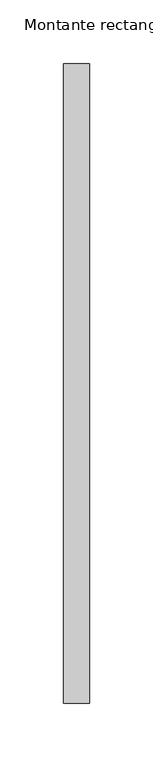
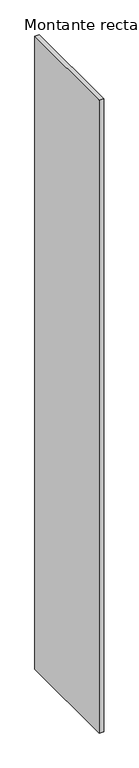
"""IFC4 building model written with IfcOpenShell, lengths in millimetres: member geometry, Montante rectangular."""

import ifcopenshell
import ifcopenshell.guid

model = None  # the IFC model being written
_history = None  # IfcOwnerHistory: only IFC2X3 demands one
_inside = {}  # id of a spatial element -> (the spatial element, [elements in it])
_under = {}  # id of a project, library or spatial element -> (it, [spatial elements below it])
_declared = {}  # id of a project -> (the project, [libraries it declares])
_typed = {}  # id of a type object -> (the type object, [elements of that type])
_made_of = {}  # id of a material, layer set ... -> (it, [elements and type objects made of it])


def new_model(schema):
    """Start an empty IFC model of exactly this schema.

    Asked for "IFC4X3", IfcOpenShell would pick the latest addendum, in which some entities
    have other attributes; the version numbers below select the first issue.
    IFC2X3 requires an IfcOwnerHistory on every rooted entity: one is made here for all.
    """
    global model, _history
    if schema == "IFC4X3":
        model = ifcopenshell.file(schema_version=(4, 3, 0, 0))
    else:
        model = ifcopenshell.file(schema=schema)
    _inside.clear()
    _under.clear()
    _declared.clear()
    _typed.clear()
    _made_of.clear()
    _history = None
    if model.schema == "IFC2X3":
        org = make("IfcOrganization", Name="unknown")
        user = make(
            "IfcPersonAndOrganization",
            ThePerson=make("IfcPerson", FamilyName="unknown"),
            TheOrganization=org,
        )
        app = make(
            "IfcApplication",
            ApplicationDeveloper=org,
            Version="unknown",
            ApplicationFullName="unknown",
            ApplicationIdentifier="unknown",
        )
        _history = make(
            "IfcOwnerHistory",
            OwningUser=user,
            OwningApplication=app,
            ChangeAction="ADDED",
            CreationDate=0,
        )
    return model


def make(cls, **values):
    """One entity of the class cls with the attributes given. An attribute that is None is left unset."""
    return model.create_entity(
        cls, **{name: value for name, value in values.items() if value is not None}
    )


def rooted(cls, **values):
    """An entity with a GlobalId (a new one), such as an element, a storey or a relation."""
    return make(cls, GlobalId=ifcopenshell.guid.new(), OwnerHistory=_history, **values)


def si_unit(unit_type, name, prefix=None):
    """IfcSIUnit, for example si_unit("LENGTHUNIT", "METRE", prefix="MILLI")."""
    return make("IfcSIUnit", UnitType=unit_type, Prefix=prefix, Name=name)


def assignment(units):
    """IfcUnitAssignment: the units of a project."""
    return None if units is None else make("IfcUnitAssignment", Units=units)


def point(xyz):
    """IfcCartesianPoint."""
    return None if xyz is None else make("IfcCartesianPoint", Coordinates=xyz)


def direction(xyz):
    """IfcDirection."""
    return None if xyz is None else make("IfcDirection", DirectionRatios=xyz)


def frame(location, z_axis=None, x_axis=None):
    """IfcAxis2Placement3D, a coordinate frame: its origin and axes. An axis left out is left unset."""
    return make(
        "IfcAxis2Placement3D",
        Location=point(location),
        Axis=direction(z_axis),
        RefDirection=direction(x_axis),
    )


def origin():
    """The frame at (0, 0, 0) with its axes left unset."""
    return frame((0.0, 0.0, 0.0))


def place(relative_to, where):
    """IfcLocalPlacement: puts the frame where relative to a parent placement (None: the world)."""
    return make(
        "IfcLocalPlacement", PlacementRelTo=relative_to, RelativePlacement=where
    )


def context(
    kind, dimensions, precision=None, world=None, true_north=None, identifier=None
):
    """IfcGeometricRepresentationContext, for example the 3D "Model" context."""
    return make(
        "IfcGeometricRepresentationContext",
        ContextIdentifier=identifier,
        ContextType=kind,
        CoordinateSpaceDimension=dimensions,
        Precision=precision,
        WorldCoordinateSystem=world,
        TrueNorth=true_north,
    )


def project(units=None, contexts=None):
    """IfcProject with its units and contexts."""
    return rooted(
        "IfcProject",
        Name="project",
        RepresentationContexts=contexts,
        UnitsInContext=assignment(units),
    )


def spatial(cls, under=None, at=None, **own):
    """A site, building, storey or space (cls), placed at a placement, below another one or the project."""
    s = rooted(cls, ObjectPlacement=at, **own)
    if under is not None:
        _under.setdefault(under.id(), (under, []))[1].append(s)
    return s


def polyline(points):
    """IfcPolyline through the points."""
    return make("IfcPolyline", Points=[point(p) for p in points])


def outline(outer, holes=None, kind="AREA"):
    """IfcArbitraryClosedProfileDef: a profile drawn as a closed curve; with holes, ...WithVoids."""
    if holes is None:
        return make("IfcArbitraryClosedProfileDef", ProfileType=kind, OuterCurve=outer)
    return make(
        "IfcArbitraryProfileDefWithVoids",
        ProfileType=kind,
        OuterCurve=outer,
        InnerCurves=holes,
    )


def extrude(swept, where, along, depth):
    """IfcExtrudedAreaSolid: the profile swept, set in the frame where, extruded along a direction by depth."""
    return make(
        "IfcExtrudedAreaSolid",
        SweptArea=swept,
        Position=where,
        ExtrudedDirection=direction(along),
        Depth=depth,
    )


def shape(context_of_items, identifier, shape_type, items):
    """IfcShapeRepresentation: the items that make up one representation, for example the "Body"."""
    return make(
        "IfcShapeRepresentation",
        ContextOfItems=context_of_items,
        RepresentationIdentifier=identifier,
        RepresentationType=shape_type,
        Items=items,
    )


def source(mapping_origin, context_of_items, identifier, shape_type, items):
    """IfcRepresentationMap: a shape defined once, which mapped items show again and again."""
    return make(
        "IfcRepresentationMap",
        MappingOrigin=mapping_origin,
        MappedRepresentation=shape(context_of_items, identifier, shape_type, items),
    )


def transform(
    local_origin,
    x_axis=None,
    y_axis=None,
    z_axis=None,
    scale=None,
    scale2=None,
    scale3=None,
    uniform=True,
):
    """IfcCartesianTransformationOperator3D, or its non-uniform kind. x_axis, y_axis, z_axis: its Axis1, 2, 3."""
    if uniform:
        return make(
            "IfcCartesianTransformationOperator3D",
            Axis1=direction(x_axis),
            Axis2=direction(y_axis),
            LocalOrigin=point(local_origin),
            Scale=scale,
            Axis3=direction(z_axis),
        )
    return make(
        "IfcCartesianTransformationOperator3DnonUniform",
        Axis1=direction(x_axis),
        Axis2=direction(y_axis),
        LocalOrigin=point(local_origin),
        Scale=scale,
        Axis3=direction(z_axis),
        Scale2=scale2,
        Scale3=scale3,
    )


def mapped(mapping_source, mapping_target):
    """IfcMappedItem: shows the shape of a source again, moved by a transform."""
    return make(
        "IfcMappedItem", MappingSource=mapping_source, MappingTarget=mapping_target
    )


def made_of(thing, what):
    """Note that an element or type object is made of a material, layer set ...; save() writes the relation."""
    if what is not None:
        _made_of.setdefault(what.id(), (what, []))[1].append(thing)
    return thing


def element(
    cls,
    number,
    at=None,
    inside=None,
    cuts=None,
    type_object=None,
    material=None,
    context=None,
    identifier="Body",
    shape_type=None,
    held_by="IfcProductDefinitionShape",
    body=None,
    shapes=None,
    **own,
):
    """One element of the class cls, such as IfcWall. Its Tag is "e" and its number.

    at: its placement. inside: the storey or other place that contains it. cuts: it is an
    opening in that element (IfcRelVoidsElement). A single representation is given by context,
    identifier, shape_type and body (its items); several are given by shapes. held_by: the class
    of the entity that holds the representations. save() writes the other relations.
    """
    e = rooted(cls, Tag="e%d" % number, ObjectPlacement=at, **own)
    if body is not None:
        shapes = [shape(context, identifier, shape_type, body)]
    if shapes is not None:
        e.Representation = make(held_by, Representations=shapes)
    if inside is not None:
        _inside.setdefault(inside.id(), (inside, []))[1].append(e)
    if cuts is not None:
        rooted(
            "IfcRelVoidsElement", RelatingBuildingElement=cuts, RelatedOpeningElement=e
        )
    if type_object is not None:
        _typed.setdefault(type_object.id(), (type_object, []))[1].append(e)
    return made_of(e, material)


def aggregate(whole, parts):
    """IfcRelAggregates: a whole, such as a stair, and the parts it consists of."""
    return rooted("IfcRelAggregates", RelatingObject=whole, RelatedObjects=parts)


def save(model, path):
    """Write the relations noted so far, then the file.

    IfcRelAggregates (storeys below a building ...), IfcRelContainedInSpatialStructure (elements
    in a storey), IfcRelDefinesByType, IfcRelAssociatesMaterial and IfcRelDeclares: one each for
    every whole, place, type object, material and project.
    """
    for whole, parts in _under.values():
        aggregate(whole, parts)
    for where, things in _inside.values():
        rooted(
            "IfcRelContainedInSpatialStructure",
            RelatedElements=things,
            RelatingStructure=where,
        )
    for kind, things in _typed.values():
        rooted("IfcRelDefinesByType", RelatedObjects=things, RelatingType=kind)
    for what, things in _made_of.values():
        rooted("IfcRelAssociatesMaterial", RelatedObjects=things, RelatingMaterial=what)
    for by, libraries in _declared.values():
        rooted("IfcRelDeclares", RelatingContext=by, RelatedDefinitions=libraries)
    model.write(path)


def montante_rectangular_5c3d1f73(model_context):
    return source(origin(), model_context, "Body", "SweptSolid", [
        extrude(outline(polyline([(-20.0, 250.0), (0.0, 250.0), (0.0, -250.0), (-20.0, -250.0), (-20.0, 250.0)])), frame((0.0, 0.0, -3000.0), z_axis=(0.0, 0.0, 1.0), x_axis=(1.0, 0.0, 0.0)), (0.0, 0.0, 1.0), 3000.0),
    ])


if __name__ == "__main__":
    model = new_model("IFC4")
    model_context = context("Model", 3, world=origin())
    ifc_project = project(units=[si_unit("LENGTHUNIT", "METRE", prefix="MILLI")], contexts=[model_context])
    site = spatial("IfcSite", under=ifc_project)
    building = spatial("IfcBuilding", under=site)
    placement = place(None, origin())
    montante_rectangular_shape = montante_rectangular_5c3d1f73(model_context)
    element("IfcMember", 1, ObjectType="Montante rectangular", at=placement, inside=building, context=model_context, shape_type="MappedRepresentation", body=[
        mapped(montante_rectangular_shape, transform((0.0, 0.0, 0.0), x_axis=(1.0, 0.0, 0.0), y_axis=(0.0, 1.0, 0.0), z_axis=(0.0, 0.0, 1.0))),
    ])
    save(model, "model.ifc")
